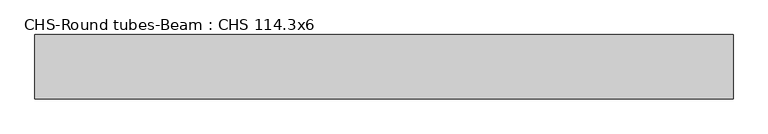
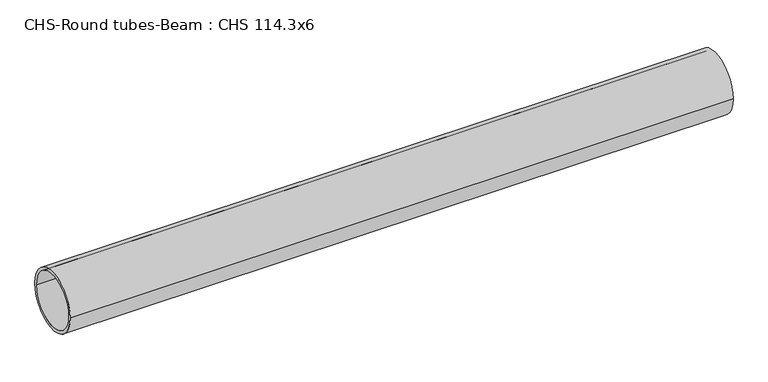
"""IFC4 building model written with IfcOpenShell, lengths in millimetres: beam geometry, CHS-Round tubes-Beam : CHS 114.3x6."""

from ifc_helpers import new_model, si_unit, point, frame, origin, origin_2d, place, context, project, spatial, circle_curve, trimmed, segment, composite_curve, outline, extrude, source, transform, mapped, element, save


def chs_round_tubes_beam_chs_114_3x6_943eca07(model_context):
    return source(origin(), model_context, "Body", "SweptSolid", [
        extrude(outline(composite_curve([segment(trimmed(circle_curve(origin_2d(), 57.15), [point((57.15, 0.0))], [point((-57.15, 0.0))], False, "CARTESIAN"), True, "CONTINUOUS"), segment(trimmed(circle_curve(origin_2d(), 57.15), [point((-57.15, 0.0))], [point((57.15, 0.0))], False, "CARTESIAN"), True, "CONTINUOUS")], self_intersect=False), holes=[composite_curve([segment(trimmed(circle_curve(origin_2d(), 51.15), [point((51.15, 0.0))], [point((-51.15, 0.0))], True, "CARTESIAN"), True, "CONTINUOUS"), segment(trimmed(circle_curve(origin_2d(), 51.15), [point((-51.15, 0.0))], [point((51.15, 0.0))], True, "CARTESIAN"), True, "CONTINUOUS")], self_intersect=False)]), frame((-630.8489113, 0.0, 0.0), z_axis=(1.0, 0.0, 0.0), x_axis=(0.0, 1.0, 0.0)), (0.0, 0.0, 1.0), 1237.1698934),
    ])


if __name__ == "__main__":
    model = new_model("IFC4")
    model_context = context("Model", 3, world=origin())
    ifc_project = project(units=[si_unit("LENGTHUNIT", "METRE", prefix="MILLI")], contexts=[model_context])
    site = spatial("IfcSite", under=ifc_project)
    building = spatial("IfcBuilding", under=site)
    placement = place(None, origin())
    chs_round_tubes_beam_chs_114_3x6_shape = chs_round_tubes_beam_chs_114_3x6_943eca07(model_context)
    element("IfcBeam", 1, ObjectType="CHS-Round tubes-Beam : CHS 114.3x6", at=placement, inside=building, context=model_context, shape_type="MappedRepresentation", body=[
        mapped(chs_round_tubes_beam_chs_114_3x6_shape, transform((0.0, 0.0, 0.0), x_axis=(1.0, 0.0, 0.0), y_axis=(0.0, 1.0, 0.0), z_axis=(0.0, 0.0, 1.0))),
    ])
    save(model, "model.ifc")
